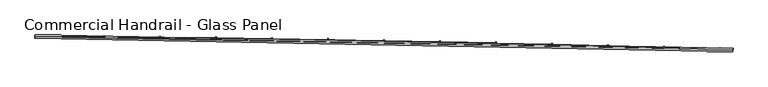
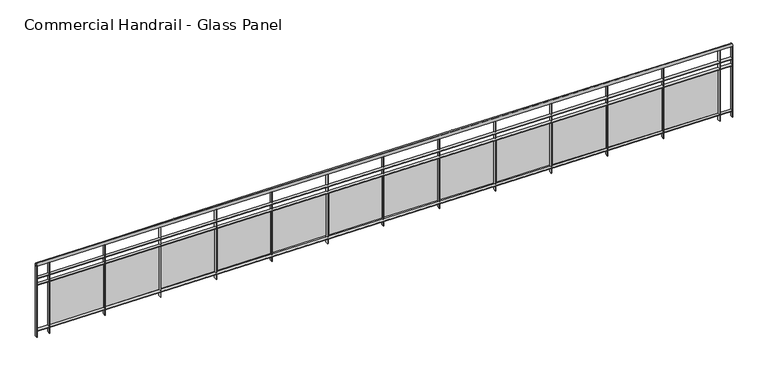
"""IFC4 building model written with IfcOpenShell, lengths in millimetres: railing geometry, Commercial Handrail - Glass Panel."""

from ifc_helpers import new_model, si_unit, point, frame, origin, place, context, project, spatial, polyline, circle_curve, ellipse_curve, trimmed, outline, extrude, source, transform, mapped, element, save
from ifc_brep_helpers import plane_surface, cylinder_surface, revolved_surface, advanced_brep


def commercial_handrail_glass_panel_668fff74(model_context):
    return source(origin(), model_context, "Body", "SolidModel", [
        advanced_brep(
        [(115522.8517456, -6417.9556233, 9482.5), (105560.2865037, -6227.9309844, 9482.5), (105560.2865037, -6227.9309844, 9517.5), (115522.8517456, -6417.9556233, 9517.5)],
        [
            (0, 1, circle_curve(frame((103082.6311781, -397378.3155465, 9482.5), z_axis=(0.0, 0.0, 1.0), x_axis=(0.006334151056266869, 0.9999799390639776, 0.0)), 391158.2315624)),
            (1, 2, ellipse_curve(frame((105560.2865037, -6227.9309844, 9500.0), z_axis=(0.9999799390639776, -0.0063341510562733554, 0.0), x_axis=(-0.0063341510562733554, -0.9999799390639776, 0.0)), 25.0, 17.5)),
            (2, 3, circle_curve(frame((103082.6311781, -397378.3155465, 9517.5), z_axis=(0.0, 0.0, -1.0), x_axis=(0.006334151056266869, 0.9999799390639776, 0.0)), 391158.2315624)),
            (3, 0, ellipse_curve(frame((115522.8517456, -6417.9556233, 9500.0), z_axis=(-0.9994941391404732, 0.031803550491167454, 0.0), x_axis=(-0.031803550491167454, -0.9994941391404732, 0.0)), 25.0, 17.5)),
            (2, 1, ellipse_curve(frame((105560.2865037, -6227.9309844, 9500.0), z_axis=(0.9999799390639776, -0.0063341510562733554, 0.0), x_axis=(-0.0063341510562733554, -0.9999799390639776, 0.0)), 25.0, 17.5)),
            (0, 3, ellipse_curve(frame((115522.8517456, -6417.9556233, 9500.0), z_axis=(-0.9994941391404732, 0.031803550491167454, 0.0), x_axis=(-0.031803550491167454, -0.9994941391404732, 0.0)), 25.0, 17.5)),
        ],
        [
            revolved_surface(trimmed(ellipse_curve(frame((105560.2865037, -6227.9309844, 9500.0), z_axis=(-0.9999799390639776, 0.006334151056266869, 0.0), x_axis=(0.0, 0.0, -1.0)), 17.5, 25.0), [point((105560.2865037, -6227.9309844, 9517.5))], [point((105560.2865037, -6227.9309844, 9482.5))], True, "CARTESIAN"), (103082.6311781, -397378.3155465, 9500.0), (0.0, 0.0, -1.0)),
            revolved_surface(trimmed(ellipse_curve(frame((105560.2865037, -6227.9309844, 9500.0), z_axis=(-0.9999799390639776, 0.006334151056266869, 0.0), x_axis=(0.0, 0.0, -1.0)), 17.5, 25.0), [point((105560.2865037, -6227.9309844, 9482.5))], [point((105560.2865037, -6227.9309844, 9517.5))], True, "CARTESIAN"), (103082.6311781, -397378.3155465, 9500.0), (0.0, 0.0, -1.0)),
            plane_surface(frame((105560.2865037, -6227.9309844, 9500.0), z_axis=(-0.9999799390639776, 0.006334151056266869, 0.0), x_axis=(0.006334151056266869, 0.9999799390639776, 0.0))),
            plane_surface(frame((115522.8517456, -6417.9556233, 9500.0), z_axis=(0.9994941391404732, -0.031803550491167405, 0.0), x_axis=(0.031803550491167405, 0.9994941391404732, 0.0))),
        ],
        [
            (0, [[1, 2, 3, 4]]),
            (1, [[-3, 5, -1, 6]]),
            (2, [[-2, -5]]),
            (3, [[-6, -4]]),
        ],
    ),
        advanced_brep(
        [(115523.5673255, -6395.4670052, 9300.0), (105560.4290221, -6205.4314357, 9300.0), (105560.1439853, -6250.430533, 9300.0), (115522.1361657, -6440.4442415, 9300.0), (115523.5673255, -6395.4670052, 9294.0), (105560.4290221, -6205.4314357, 9294.0), (115522.1361657, -6440.4442415, 9294.0), (105560.1439853, -6250.430533, 9294.0)],
        [
            (0, 1, circle_curve(frame((103082.6311781, -397378.3155465, 9300.0), z_axis=(0.0, 0.0, 1.0), x_axis=(0.006334151056266869, 0.9999799390639776, 0.0)), 391180.7315624)),
            (1, 2),
            (2, 3, circle_curve(frame((103082.6311781, -397378.3155465, 9300.0), z_axis=(0.0, 0.0, -1.0), x_axis=(0.006334151056266869, 0.9999799390639776, 0.0)), 391135.7315624)),
            (3, 0),
            (4, 5, circle_curve(frame((103082.6311781, -397378.3155465, 9294.0), z_axis=(0.0, 0.0, 1.0), x_axis=(0.006334151056266869, 0.9999799390639776, 0.0)), 391180.7315624)),
            (5, 1),
            (0, 4),
            (6, 7, circle_curve(frame((103082.6311781, -397378.3155465, 9294.0), z_axis=(0.0, 0.0, 1.0), x_axis=(0.006334151056266869, 0.9999799390639776, 0.0)), 391135.7315624)),
            (7, 5),
            (4, 6),
            (2, 7),
            (6, 3),
        ],
        [
            plane_surface(frame((103082.6311781, -397378.3155465, 9300.0), z_axis=(0.0, 0.0, 1.0), x_axis=(0.006334151056266869, 0.9999799390639776, 0.0))),
            cylinder_surface(frame((103082.6311781, -397378.3155465, 9300.0), z_axis=(0.0, 0.0, -1.0), x_axis=(0.006334151056266869, 0.9999799390639776, 0.0)), 391180.7315624),
            plane_surface(frame((103082.6311781, -397378.3155465, 9294.0), z_axis=(0.0, 0.0, -1.0), x_axis=(0.006334151056266869, 0.9999799390639776, 0.0))),
            revolved_surface(polyline([(105560.1439853197, -6250.43053298688, 9294.0), (105560.1439853197, -6250.43053298688, 9300.0)]), (103082.6311781, -397378.3155465, 9300.0), (0.0, 0.0, -1.0)),
            plane_surface(frame((105560.2865037, -6227.9309844, 9300.0), z_axis=(-0.9999799390639776, 0.006334151056266869, 0.0), x_axis=(0.006334151056266869, 0.9999799390639776, 0.0))),
            plane_surface(frame((115522.8517456, -6417.9556233, 9300.0), z_axis=(0.9994941391404732, -0.031803550491167405, 0.0), x_axis=(0.031803550491167405, 0.9994941391404732, 0.0))),
        ],
        [
            (0, [[1, 2, 3, 4]]),
            (1, [[5, 6, -1, 7]]),
            (2, [[8, 9, -5, 10]]),
            (3, [[-3, 11, -8, 12]]),
            (4, [[-2, -6, -9, -11]]),
            (5, [[-12, -10, -7, -4]]),
        ],
    ),
        advanced_brep(
        [(115523.5673255, -6395.4670052, 9200.0), (105560.4290221, -6205.4314357, 9200.0), (105560.1439853, -6250.430533, 9200.0), (115522.1361657, -6440.4442415, 9200.0), (115523.5673255, -6395.4670052, 9194.0), (105560.4290221, -6205.4314357, 9194.0), (115522.1361657, -6440.4442415, 9194.0), (105560.1439853, -6250.430533, 9194.0)],
        [
            (0, 1, circle_curve(frame((103082.6311781, -397378.3155465, 9200.0), z_axis=(0.0, 0.0, 1.0), x_axis=(0.006334151056266869, 0.9999799390639776, 0.0)), 391180.7315624)),
            (1, 2),
            (2, 3, circle_curve(frame((103082.6311781, -397378.3155465, 9200.0), z_axis=(0.0, 0.0, -1.0), x_axis=(0.006334151056266869, 0.9999799390639776, 0.0)), 391135.7315624)),
            (3, 0),
            (4, 5, circle_curve(frame((103082.6311781, -397378.3155465, 9194.0), z_axis=(0.0, 0.0, 1.0), x_axis=(0.006334151056266869, 0.9999799390639776, 0.0)), 391180.7315624)),
            (5, 1),
            (0, 4),
            (6, 7, circle_curve(frame((103082.6311781, -397378.3155465, 9194.0), z_axis=(0.0, 0.0, 1.0), x_axis=(0.006334151056266869, 0.9999799390639776, 0.0)), 391135.7315624)),
            (7, 5),
            (4, 6),
            (2, 7),
            (6, 3),
        ],
        [
            plane_surface(frame((103082.6311781, -397378.3155465, 9200.0), z_axis=(0.0, 0.0, 1.0), x_axis=(0.006334151056266869, 0.9999799390639776, 0.0))),
            cylinder_surface(frame((103082.6311781, -397378.3155465, 9200.0), z_axis=(0.0, 0.0, -1.0), x_axis=(0.006334151056266869, 0.9999799390639776, 0.0)), 391180.7315624),
            plane_surface(frame((103082.6311781, -397378.3155465, 9194.0), z_axis=(0.0, 0.0, -1.0), x_axis=(0.006334151056266869, 0.9999799390639776, 0.0))),
            revolved_surface(polyline([(105560.1439853197, -6250.43053298688, 9194.0), (105560.1439853197, -6250.43053298688, 9200.0)]), (103082.6311781, -397378.3155465, 9200.0), (0.0, 0.0, -1.0)),
            plane_surface(frame((105560.2865037, -6227.9309844, 9200.0), z_axis=(-0.9999799390639776, 0.006334151056266869, 0.0), x_axis=(0.006334151056266869, 0.9999799390639776, 0.0))),
            plane_surface(frame((115522.8517456, -6417.9556233, 9200.0), z_axis=(0.9994941391404732, -0.031803550491167405, 0.0), x_axis=(0.031803550491167405, 0.9994941391404732, 0.0))),
        ],
        [
            (0, [[1, 2, 3, 4]]),
            (1, [[5, 6, -1, 7]]),
            (2, [[8, 9, -5, 10]]),
            (3, [[-3, 11, -8, 12]]),
            (4, [[-2, -6, -9, -11]]),
            (5, [[-12, -10, -7, -4]]),
        ],
    ),
        advanced_brep(
        [(115523.5673255, -6395.4670052, 8500.0), (105560.4290221, -6205.4314357, 8500.0), (105560.1439853, -6250.430533, 8500.0), (115522.1361657, -6440.4442415, 8500.0), (115523.5673255, -6395.4670052, 8494.0), (105560.4290221, -6205.4314357, 8494.0), (115522.1361657, -6440.4442415, 8494.0), (105560.1439853, -6250.430533, 8494.0)],
        [
            (0, 1, circle_curve(frame((103082.6311781, -397378.3155465, 8500.0), z_axis=(0.0, 0.0, 1.0), x_axis=(0.006334151056266869, 0.9999799390639776, 0.0)), 391180.7315624)),
            (1, 2),
            (2, 3, circle_curve(frame((103082.6311781, -397378.3155465, 8500.0), z_axis=(0.0, 0.0, -1.0), x_axis=(0.006334151056266869, 0.9999799390639776, 0.0)), 391135.7315624)),
            (3, 0),
            (4, 5, circle_curve(frame((103082.6311781, -397378.3155465, 8494.0), z_axis=(0.0, 0.0, 1.0), x_axis=(0.006334151056266869, 0.9999799390639776, 0.0)), 391180.7315624)),
            (5, 1),
            (0, 4),
            (6, 7, circle_curve(frame((103082.6311781, -397378.3155465, 8494.0), z_axis=(0.0, 0.0, 1.0), x_axis=(0.006334151056266869, 0.9999799390639776, 0.0)), 391135.7315624)),
            (7, 5),
            (4, 6),
            (2, 7),
            (6, 3),
        ],
        [
            plane_surface(frame((103082.6311781, -397378.3155465, 8500.0), z_axis=(0.0, 0.0, 1.0), x_axis=(0.006334151056266869, 0.9999799390639776, 0.0))),
            cylinder_surface(frame((103082.6311781, -397378.3155465, 8500.0), z_axis=(0.0, 0.0, -1.0), x_axis=(0.006334151056266869, 0.9999799390639776, 0.0)), 391180.7315624),
            plane_surface(frame((103082.6311781, -397378.3155465, 8494.0), z_axis=(0.0, 0.0, -1.0), x_axis=(0.006334151056266869, 0.9999799390639776, 0.0))),
            revolved_surface(polyline([(105560.1439853197, -6250.43053298688, 8494.0), (105560.1439853197, -6250.43053298688, 8500.0)]), (103082.6311781, -397378.3155465, 8500.0), (0.0, 0.0, -1.0)),
            plane_surface(frame((105560.2865037, -6227.9309844, 8500.0), z_axis=(-0.9999799390639776, 0.006334151056266869, 0.0), x_axis=(0.006334151056266869, 0.9999799390639776, 0.0))),
            plane_surface(frame((115522.8517456, -6417.9556233, 8500.0), z_axis=(0.9994941391404732, -0.031803550491167405, 0.0), x_axis=(0.031803550491167405, 0.9994941391404732, 0.0))),
        ],
        [
            (0, [[1, 2, 3, 4]]),
            (1, [[5, 6, -1, 7]]),
            (2, [[8, 9, -5, 10]]),
            (3, [[-3, 11, -8, 12]]),
            (4, [[-2, -6, -9, -11]]),
            (5, [[-12, -10, -7, -4]]),
        ],
    ),
        extrude(outline(polyline([(115336.915621, -6434.5944988), (115338.3258162, -6389.6166003), (115344.3228693, -6389.8046263), (115342.9126741, -6434.7825248), (115336.915621, -6434.5944988)])), frame((0.0, 0.0, 8400.0), z_axis=(0.0, 0.0, 1.0), x_axis=(1.0, 0.0, 0.0)), (0.0, 0.0, 1.0), 1082.1192282),
        extrude(outline(polyline([(114561.1659135, -6382.3517641), (115320.8166008, -6405.3915845), (115320.4528141, -6417.3860691), (114560.8021269, -6394.3462486), (114561.1659135, -6382.3517641)])), frame((0.0, 0.0, 8520.0), z_axis=(0.0, 0.0, 1.0), x_axis=(1.0, 0.0, 0.0)), (0.0, 0.0, 1.0), 660.0),
        extrude(outline(polyline([(114537.329268, -6410.3495883), (114538.6474712, -6365.3688997), (114544.6448963, -6365.5446602), (114543.3266931, -6410.5253487), (114537.329268, -6410.3495883)])), frame((0.0, 0.0, 8400.0), z_axis=(0.0, 0.0, 1.0), x_axis=(1.0, 0.0, 0.0)), (0.0, 0.0, 1.0), 1082.1192282),
        extrude(outline(polyline([(113761.4743357, -6359.6935314), (114521.1705554, -6381.1796609), (114520.8313008, -6393.1748644), (113761.1350811, -6371.6887348), (113761.4743357, -6359.6935314)])), frame((0.0, 0.0, 8520.0), z_axis=(0.0, 0.0, 1.0), x_axis=(1.0, 0.0, 0.0)), (0.0, 0.0, 1.0), 660.0),
        extrude(outline(polyline([(113737.6950014, -6387.7400478), (113738.921207, -6342.7567574), (113744.9189791, -6342.9202515), (113743.6927735, -6387.9035419), (113737.6950014, -6387.7400478)])), frame((0.0, 0.0, 8400.0), z_axis=(0.0, 0.0, 1.0), x_axis=(1.0, 0.0, 0.0)), (0.0, 0.0, 1.0), 1082.1192282),
        extrude(outline(polyline([(112961.7380897, -6338.6708806), (113721.4766641, -6358.6032294), (113721.1619428, -6370.5991017), (112961.4233684, -6350.6667528), (112961.7380897, -6338.6708806)])), frame((0.0, 0.0, 8520.0), z_axis=(0.0, 0.0, 1.0), x_axis=(1.0, 0.0, 0.0)), (0.0, 0.0, 1.0), 660.0),
        extrude(outline(polyline([(112938.0161661, -6366.7659721), (112939.150369, -6321.7802679), (112945.1484629, -6321.9314949), (112944.0142599, -6366.9171991), (112938.0161661, -6366.7659721)])), frame((0.0, 0.0, 8400.0), z_axis=(0.0, 0.0, 1.0), x_axis=(1.0, 0.0, 0.0)), (0.0, 0.0, 1.0), 1082.1192282),
        extrude(outline(polyline([(112161.9605206, -6319.2838998), (112921.7382719, -6337.6623845), (112921.4480853, -6349.6588753), (112161.670334, -6331.2803906), (112161.9605206, -6319.2838998)])), frame((0.0, 0.0, 8520.0), z_axis=(0.0, 0.0, 1.0), x_axis=(1.0, 0.0, 0.0)), (0.0, 0.0, 1.0), 660.0),
        extrude(outline(polyline([(112138.2961068, -6347.4274487), (112139.3383023, -6302.4395189), (112145.3366929, -6302.5784783), (112144.2944975, -6347.5664081), (112138.2961068, -6347.4274487)])), frame((0.0, 0.0, 8400.0), z_axis=(0.0, 0.0, 1.0), x_axis=(1.0, 0.0, 0.0)), (0.0, 0.0, 1.0), 1082.1192282),
        extrude(outline(polyline([(111362.1449738, -6301.5326699), (112121.9587238, -6318.3572136), (112121.6930731, -6330.3542728), (111361.8793231, -6313.5297291), (111362.1449738, -6301.5326699)])), frame((0.0, 0.0, 8520.0), z_axis=(0.0, 0.0, 1.0), x_axis=(1.0, 0.0, 0.0)), (0.0, 0.0, 1.0), 660.0),
        extrude(outline(polyline([(111338.5381689, -6329.7245586), (111339.4883526, -6284.7345914), (111345.4870149, -6284.8612825), (111344.5368312, -6329.8512498), (111338.5381689, -6329.7245586)])), frame((0.0, 0.0, 8400.0), z_axis=(0.0, 0.0, 1.0), x_axis=(1.0, 0.0, 0.0)), (0.0, 0.0, 1.0), 1082.1192282),
        extrude(outline(polyline([(110562.2947948, -6285.4172653), (111322.1413654, -6300.6877976), (111321.9002518, -6312.6853751), (110562.0536812, -6297.4148427), (110562.2947948, -6285.4172653)])), frame((0.0, 0.0, 8520.0), z_axis=(0.0, 0.0, 1.0), x_axis=(1.0, 0.0, 0.0)), (0.0, 0.0, 1.0), 660.0),
        extrude(outline(polyline([(110538.7456975, -6313.6573759), (110539.6038654, -6268.6655594), (110545.6027743, -6268.7799818), (110544.7446064, -6313.7717982), (110538.7456975, -6313.6573759)])), frame((0.0, 0.0, 8400.0), z_axis=(0.0, 0.0, 1.0), x_axis=(1.0, 0.0, 0.0)), (0.0, 0.0, 1.0), 1082.1192282),
        extrude(outline(polyline([(109762.4133294, -6270.9377534), (110522.2895422, -6284.6542105), (110522.0729666, -6296.6522559), (109762.1967537, -6282.9357988), (109762.4133294, -6270.9377534)])), frame((0.0, 0.0, 8520.0), z_axis=(0.0, 0.0, 1.0), x_axis=(1.0, 0.0, 0.0)), (0.0, 0.0, 1.0), 660.0),
        extrude(outline(polyline([(109738.9220382, -6299.2259676), (109739.6881867, -6254.2324901), (109745.6873171, -6254.3346433), (109744.9211685, -6299.3281208), (109738.9220382, -6299.2259676)])), frame((0.0, 0.0, 8400.0), z_axis=(0.0, 0.0, 1.0), x_axis=(1.0, 0.0, 0.0)), (0.0, 0.0, 1.0), 1082.1192282),
        extrude(outline(polyline([(108962.5039232, -6258.0941947), (109722.4065998, -6270.2565191), (109722.2145631, -6282.2549825), (108962.3118865, -6270.092658), (108962.5039232, -6258.0941947)])), frame((0.0, 0.0, 8520.0), z_axis=(0.0, 0.0, 1.0), x_axis=(1.0, 0.0, 0.0)), (0.0, 0.0, 1.0), 660.0),
        extrude(outline(polyline([(108939.0705364, -6286.4303943), (108939.7446624, -6241.435444), (108945.7439891, -6241.5253275), (108945.0698631, -6286.5202778), (108939.0705364, -6286.4303943)])), frame((0.0, 0.0, 8400.0), z_axis=(0.0, 0.0, 1.0), x_axis=(1.0, 0.0, 0.0)), (0.0, 0.0, 1.0), 1082.1192282),
        extrude(outline(polyline([(108162.5699223, -6246.8866429), (108922.495884, -6257.4947839), (108922.3283871, -6269.4936149), (108162.4024253, -6258.8854739), (108162.5699223, -6246.8866429)])), frame((0.0, 0.0, 8520.0), z_axis=(0.0, 0.0, 1.0), x_axis=(1.0, 0.0, 0.0)), (0.0, 0.0, 1.0), 660.0),
        extrude(outline(polyline([(108139.1945379, -6275.2707094), (108139.7766385, -6230.2744745), (108145.7761365, -6230.3520879), (108145.1940359, -6275.3483228), (108139.1945379, -6275.2707094)])), frame((0.0, 0.0, 8400.0), z_axis=(0.0, 0.0, 1.0), x_axis=(1.0, 0.0, 0.0)), (0.0, 0.0, 1.0), 1082.1192282),
        extrude(outline(polyline([(107362.6146726, -6237.315145), (108122.5607409, -6246.3690581), (108122.4177843, -6258.3682066), (107362.4717161, -6249.3142934), (107362.6146726, -6237.315145)])), frame((0.0, 0.0, 8520.0), z_axis=(0.0, 0.0, 1.0), x_axis=(1.0, 0.0, 0.0)), (0.0, 0.0, 1.0), 660.0),
        extrude(outline(polyline([(107339.2973884, -6265.7469596), (107339.7874611, -6220.7496283), (107345.7871053, -6220.8149713), (107345.2970326, -6265.8123027), (107339.2973884, -6265.7469596)])), frame((0.0, 0.0, 8400.0), z_axis=(0.0, 0.0, 1.0), x_axis=(1.0, 0.0, 0.0)), (0.0, 0.0, 1.0), 1082.1192282),
        extrude(outline(polyline([(106562.6415203, -6229.3797409), (107322.6045163, -6236.8793883), (107322.4861008, -6248.878804), (106562.5231048, -6241.3791567), (106562.6415203, -6229.3797409)])), frame((0.0, 0.0, 8520.0), z_axis=(0.0, 0.0, 1.0), x_axis=(1.0, 0.0, 0.0)), (0.0, 0.0, 1.0), 660.0),
        extrude(outline(polyline([(106539.3824338, -6257.8591848), (106539.7804767, -6212.8609452), (106545.7802419, -6212.9140176), (106545.382199, -6257.9122572), (106539.3824338, -6257.8591848)])), frame((0.0, 0.0, 8400.0), z_axis=(0.0, 0.0, 1.0), x_axis=(1.0, 0.0, 0.0)), (0.0, 0.0, 1.0), 1082.1192282),
        extrude(outline(polyline([(105762.6538115, -6223.080464), (106522.6305564, -6229.0258142), (106522.5366825, -6241.025447), (105762.5599376, -6235.0800968), (105762.6538115, -6223.080464)])), frame((0.0, 0.0, 8520.0), z_axis=(0.0, 0.0, 1.0), x_axis=(1.0, 0.0, 0.0)), (0.0, 0.0, 1.0), 660.0),
        extrude(outline(polyline([(105739.45302, -6251.6074179), (105739.7590314, -6206.6084583), (105745.7588926, -6206.6492599), (105745.4528813, -6251.6482194), (105739.45302, -6251.6074179)])), frame((0.0, 0.0, 8400.0), z_axis=(0.0, 0.0, 1.0), x_axis=(1.0, 0.0, 0.0)), (0.0, 0.0, 1.0), 1082.1192282),
        extrude(outline(polyline([(115519.1376833, -6440.3488308), (115520.5688431, -6395.3715946), (115526.5658079, -6395.5624159), (115525.1346482, -6440.5396521), (115519.1376833, -6440.3488308)])), frame((0.0, 0.0, 8400.0), z_axis=(0.0, 0.0, 1.0), x_axis=(1.0, 0.0, 0.0)), (0.0, 0.0, 1.0), 1082.1192282),
        extrude(outline(polyline([(105557.1440455, -6250.4115305), (105557.4290823, -6205.4124333), (105563.4289619, -6205.4504382), (105563.1439251, -6250.4495354), (105557.1440455, -6250.4115305)])), frame((0.0, 0.0, 8400.0), z_axis=(0.0, 0.0, 1.0), x_axis=(1.0, 0.0, 0.0)), (0.0, 0.0, 1.0), 1082.1192282),
    ])


if __name__ == "__main__":
    model = new_model("IFC4")
    model_context = context("Model", 3, world=origin())
    ifc_project = project(units=[si_unit("LENGTHUNIT", "METRE", prefix="MILLI")], contexts=[model_context])
    site = spatial("IfcSite", under=ifc_project)
    building = spatial("IfcBuilding", under=site)
    placement = place(None, origin())
    commercial_handrail_glass_panel_shape = commercial_handrail_glass_panel_668fff74(model_context)
    element("IfcRailing", 1, ObjectType="Commercial Handrail - Glass Panel", at=placement, inside=building, context=model_context, shape_type="MappedRepresentation", body=[
        mapped(commercial_handrail_glass_panel_shape, transform((0.0, 0.0, 0.0), x_axis=(1.0, 0.0, 0.0), y_axis=(0.0, 1.0, 0.0), z_axis=(0.0, 0.0, 1.0))),
    ])
    save(model, "model.ifc")
